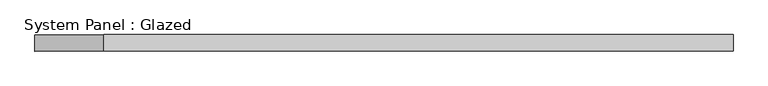
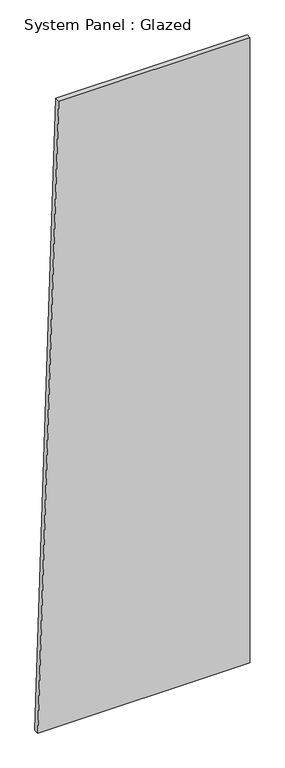
"""IFC4 building model written with IfcOpenShell, lengths in millimetres: plate geometry, System Panel : Glazed."""

from ifc_helpers import new_model, si_unit, frame, origin, place, context, project, spatial, polyline, outline, extrude, source, transform, mapped, element, save


def system_panel_glazed_fc32666c(model_context):
    return source(origin(), model_context, "Body", "SweptSolid", [
        extrude(outline(polyline([(0.0, -535.7978957), (0.0, 535.7978957), (3337.5895065, 535.7978957), (3337.5895065, -429.9761201), (0.0, -535.7978957)])), frame((0.0, -49.5, 0.0), z_axis=(0.0, 1.0, 0.0), x_axis=(0.0, 0.0, 1.0)), (0.0, 0.0, 1.0), 25.0),
    ])


if __name__ == "__main__":
    model = new_model("IFC4")
    model_context = context("Model", 3, world=origin())
    ifc_project = project(units=[si_unit("LENGTHUNIT", "METRE", prefix="MILLI")], contexts=[model_context])
    site = spatial("IfcSite", under=ifc_project)
    building = spatial("IfcBuilding", under=site)
    placement = place(None, origin())
    system_panel_glazed_shape = system_panel_glazed_fc32666c(model_context)
    element("IfcPlate", 1, ObjectType="System Panel : Glazed", at=placement, inside=building, context=model_context, shape_type="MappedRepresentation", body=[
        mapped(system_panel_glazed_shape, transform((0.0, 0.0, 0.0), x_axis=(1.0, 0.0, 0.0), y_axis=(0.0, 1.0, 0.0), z_axis=(0.0, 0.0, 1.0))),
    ])
    save(model, "model.ifc")
